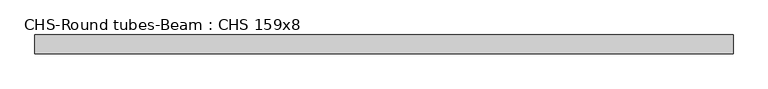
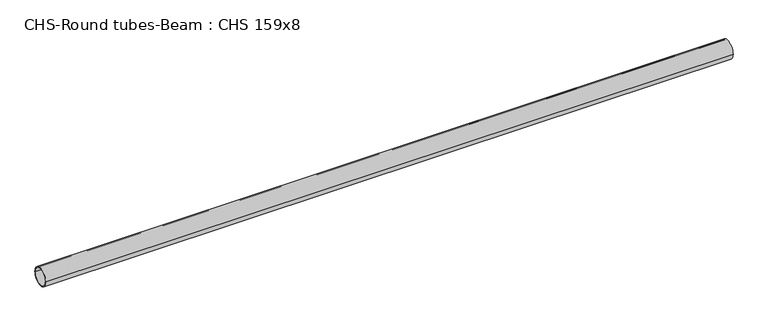
"""IFC4 building model written with IfcOpenShell, lengths in millimetres: beam geometry, CHS-Round tubes-Beam : CHS 159x8."""

import ifcopenshell
import ifcopenshell.guid

model = None  # the IFC model being written
_history = None  # IfcOwnerHistory: only IFC2X3 demands one
_inside = {}  # id of a spatial element -> (the spatial element, [elements in it])
_under = {}  # id of a project, library or spatial element -> (it, [spatial elements below it])
_declared = {}  # id of a project -> (the project, [libraries it declares])
_typed = {}  # id of a type object -> (the type object, [elements of that type])
_made_of = {}  # id of a material, layer set ... -> (it, [elements and type objects made of it])


def new_model(schema):
    """Start an empty IFC model of exactly this schema.

    Asked for "IFC4X3", IfcOpenShell would pick the latest addendum, in which some entities
    have other attributes; the version numbers below select the first issue.
    IFC2X3 requires an IfcOwnerHistory on every rooted entity: one is made here for all.
    """
    global model, _history
    if schema == "IFC4X3":
        model = ifcopenshell.file(schema_version=(4, 3, 0, 0))
    else:
        model = ifcopenshell.file(schema=schema)
    _inside.clear()
    _under.clear()
    _declared.clear()
    _typed.clear()
    _made_of.clear()
    _history = None
    if model.schema == "IFC2X3":
        org = make("IfcOrganization", Name="unknown")
        user = make(
            "IfcPersonAndOrganization",
            ThePerson=make("IfcPerson", FamilyName="unknown"),
            TheOrganization=org,
        )
        app = make(
            "IfcApplication",
            ApplicationDeveloper=org,
            Version="unknown",
            ApplicationFullName="unknown",
            ApplicationIdentifier="unknown",
        )
        _history = make(
            "IfcOwnerHistory",
            OwningUser=user,
            OwningApplication=app,
            ChangeAction="ADDED",
            CreationDate=0,
        )
    return model


def make(cls, **values):
    """One entity of the class cls with the attributes given. An attribute that is None is left unset."""
    return model.create_entity(
        cls, **{name: value for name, value in values.items() if value is not None}
    )


def rooted(cls, **values):
    """An entity with a GlobalId (a new one), such as an element, a storey or a relation."""
    return make(cls, GlobalId=ifcopenshell.guid.new(), OwnerHistory=_history, **values)


def si_unit(unit_type, name, prefix=None):
    """IfcSIUnit, for example si_unit("LENGTHUNIT", "METRE", prefix="MILLI")."""
    return make("IfcSIUnit", UnitType=unit_type, Prefix=prefix, Name=name)


def assignment(units):
    """IfcUnitAssignment: the units of a project."""
    return None if units is None else make("IfcUnitAssignment", Units=units)


def point(xyz):
    """IfcCartesianPoint."""
    return None if xyz is None else make("IfcCartesianPoint", Coordinates=xyz)


def direction(xyz):
    """IfcDirection."""
    return None if xyz is None else make("IfcDirection", DirectionRatios=xyz)


def frame(location, z_axis=None, x_axis=None):
    """IfcAxis2Placement3D, a coordinate frame: its origin and axes. An axis left out is left unset."""
    return make(
        "IfcAxis2Placement3D",
        Location=point(location),
        Axis=direction(z_axis),
        RefDirection=direction(x_axis),
    )


def frame_2d(location, x_axis=None):
    """IfcAxis2Placement2D, a coordinate frame in the plane: its origin and x axis."""
    return make(
        "IfcAxis2Placement2D", Location=point(location), RefDirection=direction(x_axis)
    )


def origin():
    """The frame at (0, 0, 0) with its axes left unset."""
    return frame((0.0, 0.0, 0.0))


def origin_2d():
    """The frame at (0, 0) in the plane with its x axis left unset."""
    return frame_2d((0.0, 0.0))


def place(relative_to, where):
    """IfcLocalPlacement: puts the frame where relative to a parent placement (None: the world)."""
    return make(
        "IfcLocalPlacement", PlacementRelTo=relative_to, RelativePlacement=where
    )


def context(
    kind, dimensions, precision=None, world=None, true_north=None, identifier=None
):
    """IfcGeometricRepresentationContext, for example the 3D "Model" context."""
    return make(
        "IfcGeometricRepresentationContext",
        ContextIdentifier=identifier,
        ContextType=kind,
        CoordinateSpaceDimension=dimensions,
        Precision=precision,
        WorldCoordinateSystem=world,
        TrueNorth=true_north,
    )


def project(units=None, contexts=None):
    """IfcProject with its units and contexts."""
    return rooted(
        "IfcProject",
        Name="project",
        RepresentationContexts=contexts,
        UnitsInContext=assignment(units),
    )


def spatial(cls, under=None, at=None, **own):
    """A site, building, storey or space (cls), placed at a placement, below another one or the project."""
    s = rooted(cls, ObjectPlacement=at, **own)
    if under is not None:
        _under.setdefault(under.id(), (under, []))[1].append(s)
    return s


def circle_curve(where, radius):
    """IfcCircle in the frame where."""
    return make("IfcCircle", Position=where, Radius=radius)


def trimmed(basis, trim1, trim2, sense, master):
    """IfcTrimmedCurve: the piece of a basis curve between two trims."""
    return make(
        "IfcTrimmedCurve",
        BasisCurve=basis,
        Trim1=trim1,
        Trim2=trim2,
        SenseAgreement=sense,
        MasterRepresentation=master,
    )


def segment(curve, same_sense, transition):
    """IfcCompositeCurveSegment."""
    return make(
        "IfcCompositeCurveSegment",
        Transition=transition,
        SameSense=same_sense,
        ParentCurve=curve,
    )


def composite_curve(segments, self_intersect=None):
    """IfcCompositeCurve: segments joined end to end."""
    return make("IfcCompositeCurve", Segments=segments, SelfIntersect=self_intersect)


def outline(outer, holes=None, kind="AREA"):
    """IfcArbitraryClosedProfileDef: a profile drawn as a closed curve; with holes, ...WithVoids."""
    if holes is None:
        return make("IfcArbitraryClosedProfileDef", ProfileType=kind, OuterCurve=outer)
    return make(
        "IfcArbitraryProfileDefWithVoids",
        ProfileType=kind,
        OuterCurve=outer,
        InnerCurves=holes,
    )


def extrude(swept, where, along, depth):
    """IfcExtrudedAreaSolid: the profile swept, set in the frame where, extruded along a direction by depth."""
    return make(
        "IfcExtrudedAreaSolid",
        SweptArea=swept,
        Position=where,
        ExtrudedDirection=direction(along),
        Depth=depth,
    )


def shape(context_of_items, identifier, shape_type, items):
    """IfcShapeRepresentation: the items that make up one representation, for example the "Body"."""
    return make(
        "IfcShapeRepresentation",
        ContextOfItems=context_of_items,
        RepresentationIdentifier=identifier,
        RepresentationType=shape_type,
        Items=items,
    )


def source(mapping_origin, context_of_items, identifier, shape_type, items):
    """IfcRepresentationMap: a shape defined once, which mapped items show again and again."""
    return make(
        "IfcRepresentationMap",
        MappingOrigin=mapping_origin,
        MappedRepresentation=shape(context_of_items, identifier, shape_type, items),
    )


def transform(
    local_origin,
    x_axis=None,
    y_axis=None,
    z_axis=None,
    scale=None,
    scale2=None,
    scale3=None,
    uniform=True,
):
    """IfcCartesianTransformationOperator3D, or its non-uniform kind. x_axis, y_axis, z_axis: its Axis1, 2, 3."""
    if uniform:
        return make(
            "IfcCartesianTransformationOperator3D",
            Axis1=direction(x_axis),
            Axis2=direction(y_axis),
            LocalOrigin=point(local_origin),
            Scale=scale,
            Axis3=direction(z_axis),
        )
    return make(
        "IfcCartesianTransformationOperator3DnonUniform",
        Axis1=direction(x_axis),
        Axis2=direction(y_axis),
        LocalOrigin=point(local_origin),
        Scale=scale,
        Axis3=direction(z_axis),
        Scale2=scale2,
        Scale3=scale3,
    )


def mapped(mapping_source, mapping_target):
    """IfcMappedItem: shows the shape of a source again, moved by a transform."""
    return make(
        "IfcMappedItem", MappingSource=mapping_source, MappingTarget=mapping_target
    )


def made_of(thing, what):
    """Note that an element or type object is made of a material, layer set ...; save() writes the relation."""
    if what is not None:
        _made_of.setdefault(what.id(), (what, []))[1].append(thing)
    return thing


def element(
    cls,
    number,
    at=None,
    inside=None,
    cuts=None,
    type_object=None,
    material=None,
    context=None,
    identifier="Body",
    shape_type=None,
    held_by="IfcProductDefinitionShape",
    body=None,
    shapes=None,
    **own,
):
    """One element of the class cls, such as IfcWall. Its Tag is "e" and its number.

    at: its placement. inside: the storey or other place that contains it. cuts: it is an
    opening in that element (IfcRelVoidsElement). A single representation is given by context,
    identifier, shape_type and body (its items); several are given by shapes. held_by: the class
    of the entity that holds the representations. save() writes the other relations.
    """
    e = rooted(cls, Tag="e%d" % number, ObjectPlacement=at, **own)
    if body is not None:
        shapes = [shape(context, identifier, shape_type, body)]
    if shapes is not None:
        e.Representation = make(held_by, Representations=shapes)
    if inside is not None:
        _inside.setdefault(inside.id(), (inside, []))[1].append(e)
    if cuts is not None:
        rooted(
            "IfcRelVoidsElement", RelatingBuildingElement=cuts, RelatedOpeningElement=e
        )
    if type_object is not None:
        _typed.setdefault(type_object.id(), (type_object, []))[1].append(e)
    return made_of(e, material)


def aggregate(whole, parts):
    """IfcRelAggregates: a whole, such as a stair, and the parts it consists of."""
    return rooted("IfcRelAggregates", RelatingObject=whole, RelatedObjects=parts)


def save(model, path):
    """Write the relations noted so far, then the file.

    IfcRelAggregates (storeys below a building ...), IfcRelContainedInSpatialStructure (elements
    in a storey), IfcRelDefinesByType, IfcRelAssociatesMaterial and IfcRelDeclares: one each for
    every whole, place, type object, material and project.
    """
    for whole, parts in _under.values():
        aggregate(whole, parts)
    for where, things in _inside.values():
        rooted(
            "IfcRelContainedInSpatialStructure",
            RelatedElements=things,
            RelatingStructure=where,
        )
    for kind, things in _typed.values():
        rooted("IfcRelDefinesByType", RelatedObjects=things, RelatingType=kind)
    for what, things in _made_of.values():
        rooted("IfcRelAssociatesMaterial", RelatedObjects=things, RelatingMaterial=what)
    for by, libraries in _declared.values():
        rooted("IfcRelDeclares", RelatingContext=by, RelatedDefinitions=libraries)
    model.write(path)


def chs_round_tubes_beam_chs_159x8_1bc2c6cf(model_context):
    return source(origin(), model_context, "Body", "SweptSolid", [
        extrude(outline(composite_curve([segment(trimmed(circle_curve(origin_2d(), 79.5), [point((79.5, 0.0))], [point((-79.5, 0.0))], False, "CARTESIAN"), True, "CONTINUOUS"), segment(trimmed(circle_curve(origin_2d(), 79.5), [point((-79.5, 0.0))], [point((79.5, 0.0))], False, "CARTESIAN"), True, "CONTINUOUS")], self_intersect=False), holes=[composite_curve([segment(trimmed(circle_curve(origin_2d(), 71.5), [point((71.5, 0.0))], [point((-71.5, 0.0))], True, "CARTESIAN"), True, "CONTINUOUS"), segment(trimmed(circle_curve(origin_2d(), 71.5), [point((-71.5, 0.0))], [point((71.5, 0.0))], True, "CARTESIAN"), True, "CONTINUOUS")], self_intersect=False)]), frame((-2949.1376323, 0.0, 0.0), z_axis=(1.0, 0.0, 0.0), x_axis=(0.0, 1.0, 0.0)), (0.0, 0.0, 1.0), 5898.2752646),
    ])


if __name__ == "__main__":
    model = new_model("IFC4")
    model_context = context("Model", 3, world=origin())
    ifc_project = project(units=[si_unit("LENGTHUNIT", "METRE", prefix="MILLI")], contexts=[model_context])
    site = spatial("IfcSite", under=ifc_project)
    building = spatial("IfcBuilding", under=site)
    placement = place(None, origin())
    chs_round_tubes_beam_chs_159x8_shape = chs_round_tubes_beam_chs_159x8_1bc2c6cf(model_context)
    element("IfcBeam", 1, ObjectType="CHS-Round tubes-Beam : CHS 159x8", at=placement, inside=building, context=model_context, shape_type="MappedRepresentation", body=[
        mapped(chs_round_tubes_beam_chs_159x8_shape, transform((0.0, 0.0, 0.0), x_axis=(1.0, 0.0, 0.0), y_axis=(0.0, 1.0, 0.0), z_axis=(0.0, 0.0, 1.0))),
    ])
    save(model, "model.ifc")
